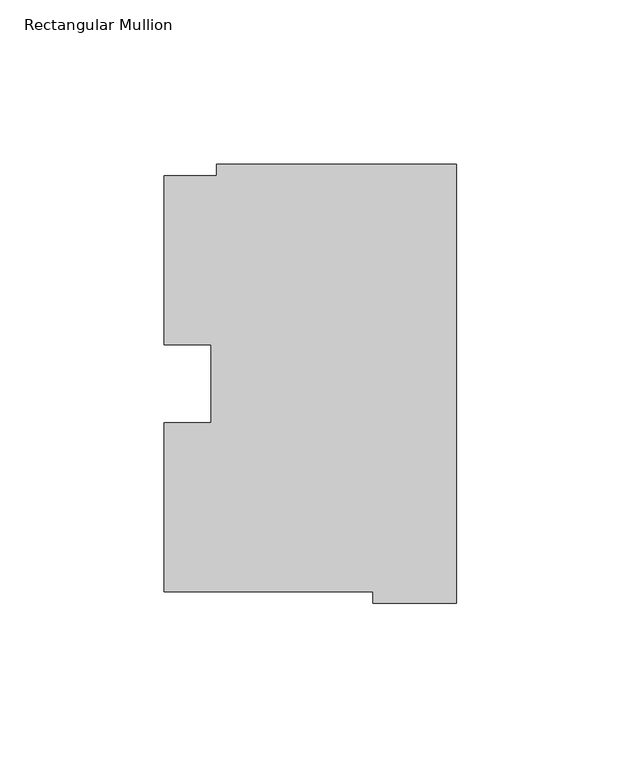
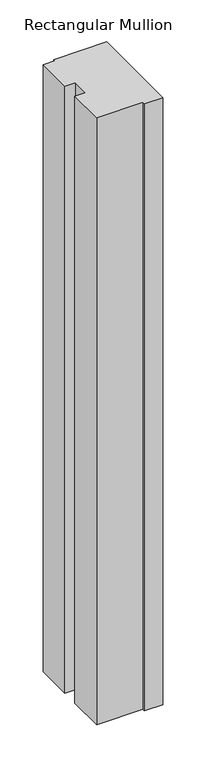
"""IFC4 building model written with IfcOpenShell, lengths in millimetres: member geometry, Rectangular Mullion."""

from ifc_helpers import new_model, si_unit, frame, origin, place, context, project, spatial, polyline, outline, extrude, source, transform, mapped, element, save


def rectangular_mullion_8796ae5e(model_context):
    return source(origin(), model_context, "Body", "SweptSolid", [
        extrude(outline(polyline([(-88.8822228, 126.75235), (-72.9776553, 126.75235), (-72.9776553, 130.1706837), (0.0, 130.1706837), (0.0, -3.193538), (-25.3822228, -3.193538), (-25.3822228, 0.26035), (-88.8822228, 0.26035), (-88.8822228, 51.60645), (-74.6074228, 51.60645), (-74.6074228, 75.40625), (-88.8822228, 75.40625), (-88.8822228, 126.75235)])), frame((0.0, 0.0, -882.65), z_axis=(0.0, 0.0, 1.0), x_axis=(1.0, 0.0, 0.0)), (0.0, 0.0, 1.0), 882.65),
    ])


if __name__ == "__main__":
    model = new_model("IFC4")
    model_context = context("Model", 3, world=origin())
    ifc_project = project(units=[si_unit("LENGTHUNIT", "METRE", prefix="MILLI")], contexts=[model_context])
    site = spatial("IfcSite", under=ifc_project)
    building = spatial("IfcBuilding", under=site)
    placement = place(None, origin())
    rectangular_mullion_shape = rectangular_mullion_8796ae5e(model_context)
    element("IfcMember", 1, ObjectType="Rectangular Mullion", at=placement, inside=building, context=model_context, shape_type="MappedRepresentation", body=[
        mapped(rectangular_mullion_shape, transform((0.0, 0.0, 0.0), x_axis=(1.0, 0.0, 0.0), y_axis=(0.0, 1.0, 0.0), z_axis=(0.0, 0.0, 1.0))),
    ])
    save(model, "model.ifc")
